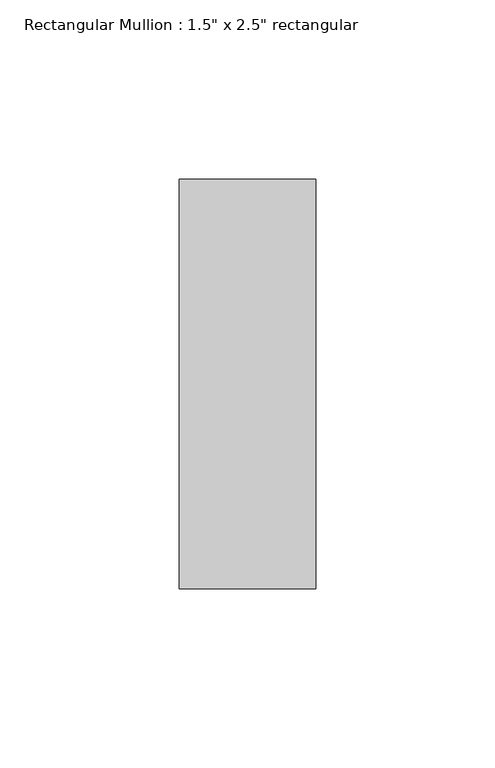
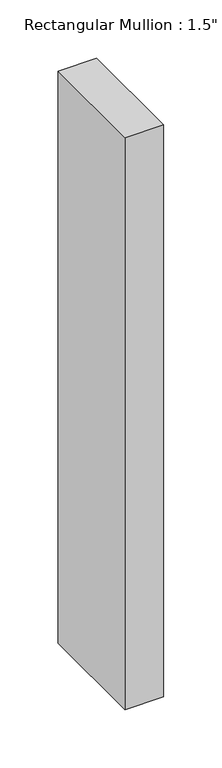
"""IFC4 building model written with IfcOpenShell, lengths in millimetres: member geometry."""

from ifc_helpers import new_model, si_unit, frame, origin, place, context, project, spatial, polyline, outline, extrude, source, transform, mapped, element, save


def member_2e18bcae(model_context):
    return source(origin(), model_context, "Body", "SweptSolid", [
        extrude(outline(polyline([(0.0, 57.15), (0.0, -57.15), (-38.1, -57.15), (-38.1, 57.15), (0.0, 57.15)])), frame((0.0, 0.0, -597.69375), z_axis=(0.0, 0.0, 1.0), x_axis=(1.0, 0.0, 0.0)), (0.0, 0.0, 1.0), 597.69375),
    ])


if __name__ == "__main__":
    model = new_model("IFC4")
    model_context = context("Model", 3, world=origin())
    ifc_project = project(units=[si_unit("LENGTHUNIT", "METRE", prefix="MILLI")], contexts=[model_context])
    site = spatial("IfcSite", under=ifc_project)
    building = spatial("IfcBuilding", under=site)
    placement = place(None, origin())
    member_shape = member_2e18bcae(model_context)
    element("IfcMember", 1, ObjectType="Rectangular Mullion : 1.5\" x 2.5\" rectangular", at=placement, inside=building, context=model_context, shape_type="MappedRepresentation", body=[
        mapped(member_shape, transform((0.0, 0.0, 0.0), x_axis=(1.0, 0.0, 0.0), y_axis=(0.0, 1.0, 0.0), z_axis=(0.0, 0.0, 1.0))),
    ])
    save(model, "model.ifc")
